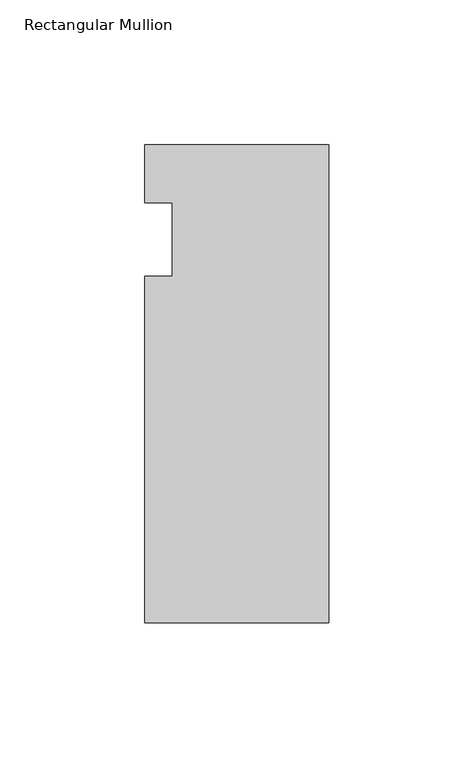
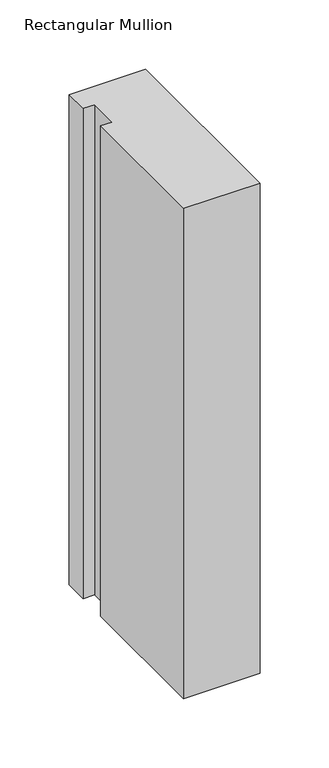
"""IFC4 building model written with IfcOpenShell, lengths in millimetres: member geometry, Rectangular Mullion."""

from ifc_helpers import new_model, si_unit, frame, origin, place, context, project, spatial, polyline, outline, extrude, source, transform, mapped, element, save


def rectangular_mullion_e8185e7a(model_context):
    return source(origin(), model_context, "Body", "SweptSolid", [
        extrude(outline(polyline([(-63.5, 20.0421875), (0.0, 20.0421875), (0.0, -145.0578125), (-63.5, -145.0578125), (-63.5, -25.4), (-53.975, -25.4), (-53.975, 0.0), (-63.5, 0.0), (-63.5, 20.0421875)])), frame((0.0, 0.0, -431.8), z_axis=(0.0, 0.0, 1.0), x_axis=(1.0, 0.0, 0.0)), (0.0, 0.0, 1.0), 431.8),
    ])


if __name__ == "__main__":
    model = new_model("IFC4")
    model_context = context("Model", 3, world=origin())
    ifc_project = project(units=[si_unit("LENGTHUNIT", "METRE", prefix="MILLI")], contexts=[model_context])
    site = spatial("IfcSite", under=ifc_project)
    building = spatial("IfcBuilding", under=site)
    placement = place(None, origin())
    rectangular_mullion_shape = rectangular_mullion_e8185e7a(model_context)
    element("IfcMember", 1, ObjectType="Rectangular Mullion", at=placement, inside=building, context=model_context, shape_type="MappedRepresentation", body=[
        mapped(rectangular_mullion_shape, transform((0.0, 0.0, 0.0), x_axis=(1.0, 0.0, 0.0), y_axis=(0.0, 1.0, 0.0), z_axis=(0.0, 0.0, 1.0))),
    ])
    save(model, "model.ifc")
